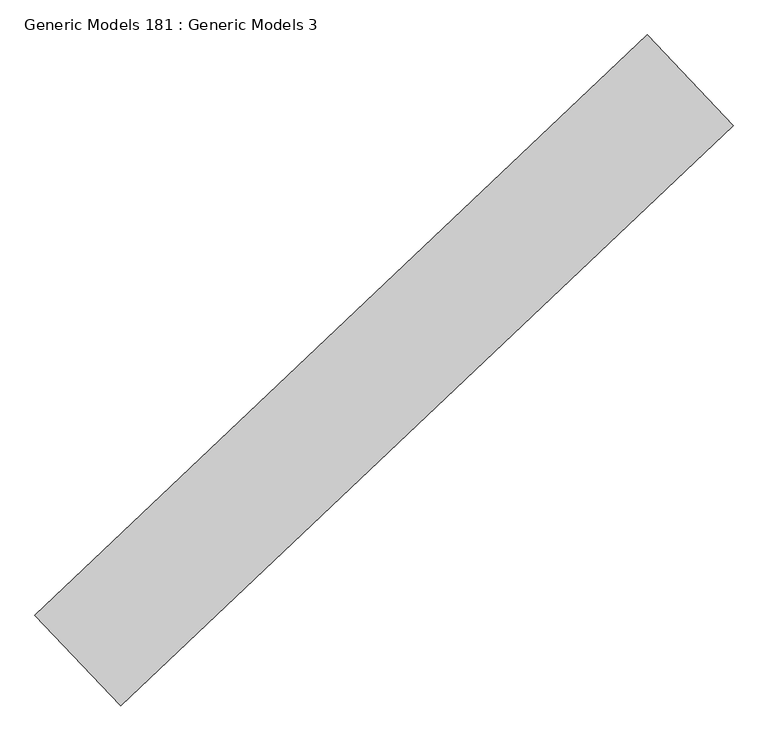
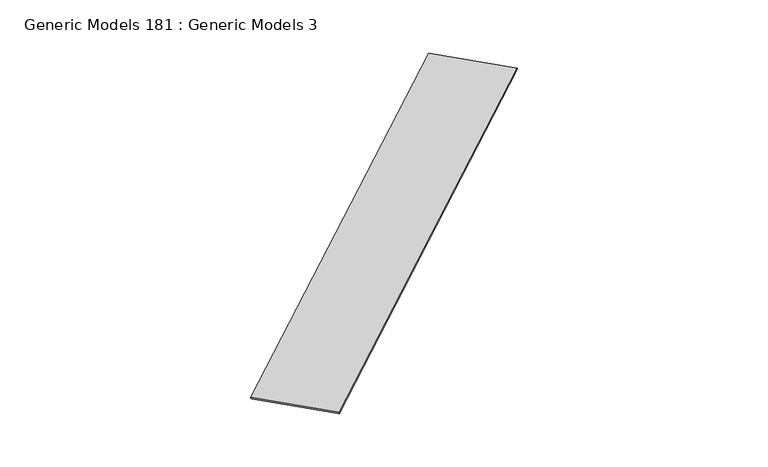
"""IFC4 building model written with IfcOpenShell, lengths in millimetres: proxy geometry, Generic Models 181 : Generic Models 3."""

from ifc_helpers import new_model, si_unit, point, frame, frame_2d, origin, place, context, project, spatial, polyline, circle_curve, trimmed, segment, composite_curve, outline, extrude, source, transform, mapped, element, save


def generic_models_181_generic_models_3_1e5b53d5(model_context):
    return source(origin(), model_context, "Body", "SweptSolid", [
        extrude(outline(composite_curve([segment(trimmed(circle_curve(frame_2d((0.0, -19.0236236)), 19.0236237), [point((-14.1636245, -31.7236236))], [point((-14.1636245, -6.3236236))], False, "CARTESIAN"), True, "CONTINUOUS"), segment(trimmed(circle_curve(frame_2d((0.0, 6.3763763)), 19.0236237), [point((-14.1636245, -6.3236236))], [point((-14.1636245, 19.0763763))], False, "CARTESIAN"), True, "CONTINUOUS"), segment(trimmed(circle_curve(frame_2d((0.0, 31.7763763)), 19.0236237), [point((-14.1636245, 19.0763763))], [point((-18.6694575, 28.122664))], False, "CARTESIAN"), True, "CONTINUOUS"), segment(polyline([(-18.6694575, 28.122664), (19.0763763, 28.122664), (19.0763763, -2571.7236237), (-14.1636245, -2571.7236237)]), True, "CONTINUOUS"), segment(trimmed(circle_curve(frame_2d((0.0, -2559.0236237)), 19.0236237), [point((-14.1636245, -2571.7236237))], [point((-14.1636245, -2546.3236237))], False, "CARTESIAN"), True, "CONTINUOUS"), segment(trimmed(circle_curve(frame_2d((0.0, -2533.6236237)), 19.0236237), [point((-14.1636245, -2546.3236237))], [point((-14.1636245, -2520.9236237))], False, "CARTESIAN"), True, "CONTINUOUS"), segment(trimmed(circle_curve(frame_2d((0.0, -2508.2236237)), 19.0236237), [point((-14.1636245, -2520.9236237))], [point((-14.1636245, -2495.5236236))], False, "CARTESIAN"), True, "CONTINUOUS"), segment(trimmed(circle_curve(frame_2d((0.0, -2482.8236236)), 19.0236237), [point((-14.1636245, -2495.5236236))], [point((-14.1636245, -2470.1236237))], False, "CARTESIAN"), True, "CONTINUOUS"), segment(trimmed(circle_curve(frame_2d((0.0, -2457.4236237)), 19.0236237), [point((-14.1636245, -2470.1236237))], [point((-14.1636245, -2444.7236237))], False, "CARTESIAN"), True, "CONTINUOUS"), segment(trimmed(circle_curve(frame_2d((0.0, -2432.0236237)), 19.0236237), [point((-14.1636245, -2444.7236237))], [point((-14.1636245, -2419.3236237))], False, "CARTESIAN"), True, "CONTINUOUS"), segment(trimmed(circle_curve(frame_2d((0.0, -2406.6236237)), 19.0236237), [point((-14.1636245, -2419.3236237))], [point((-14.1636245, -2393.9236237))], False, "CARTESIAN"), True, "CONTINUOUS"), segment(trimmed(circle_curve(frame_2d((0.0, -2381.2236236)), 19.0236237), [point((-14.1636245, -2393.9236237))], [point((-14.1636245, -2368.5236236))], False, "CARTESIAN"), True, "CONTINUOUS"), segment(trimmed(circle_curve(frame_2d((0.0, -2355.8236237)), 19.0236237), [point((-14.1636245, -2368.5236236))], [point((-14.1636245, -2343.1236237))], False, "CARTESIAN"), True, "CONTINUOUS"), segment(trimmed(circle_curve(frame_2d((0.0, -2330.4236237)), 19.0236237), [point((-14.1636245, -2343.1236237))], [point((-14.1636245, -2317.7236237))], False, "CARTESIAN"), True, "CONTINUOUS"), segment(trimmed(circle_curve(frame_2d((0.0, -2305.0236237)), 19.0236237), [point((-14.1636245, -2317.7236237))], [point((-14.1636245, -2292.3236237))], False, "CARTESIAN"), True, "CONTINUOUS"), segment(trimmed(circle_curve(frame_2d((0.0, -2279.6236236)), 19.0236237), [point((-14.1636245, -2292.3236237))], [point((-14.1636245, -2266.9236236))], False, "CARTESIAN"), True, "CONTINUOUS"), segment(trimmed(circle_curve(frame_2d((0.0, -2254.2236236)), 19.0236237), [point((-14.1636245, -2266.9236236))], [point((-14.1636245, -2241.5236237))], False, "CARTESIAN"), True, "CONTINUOUS"), segment(trimmed(circle_curve(frame_2d((0.0, -2228.8236237)), 19.0236237), [point((-14.1636245, -2241.5236237))], [point((-14.1636245, -2216.1236237))], False, "CARTESIAN"), True, "CONTINUOUS"), segment(trimmed(circle_curve(frame_2d((0.0, -2203.4236237)), 19.0236237), [point((-14.1636245, -2216.1236237))], [point((-14.1636245, -2190.7236237))], False, "CARTESIAN"), True, "CONTINUOUS"), segment(trimmed(circle_curve(frame_2d((0.0, -2178.0236237)), 19.0236237), [point((-14.1636245, -2190.7236237))], [point((-14.1636245, -2165.3236236))], False, "CARTESIAN"), True, "CONTINUOUS"), segment(trimmed(circle_curve(frame_2d((0.0, -2152.6236236)), 19.0236237), [point((-14.1636245, -2165.3236236))], [point((-14.1636245, -2139.9236237))], False, "CARTESIAN"), True, "CONTINUOUS"), segment(trimmed(circle_curve(frame_2d((0.0, -2127.2236237)), 19.0236237), [point((-14.1636245, -2139.9236237))], [point((-14.1636245, -2114.5236237))], False, "CARTESIAN"), True, "CONTINUOUS"), segment(trimmed(circle_curve(frame_2d((0.0, -2101.8236237)), 19.0236237), [point((-14.1636245, -2114.5236237))], [point((-14.1636245, -2089.1236237))], False, "CARTESIAN"), True, "CONTINUOUS"), segment(trimmed(circle_curve(frame_2d((0.0, -2076.4236237)), 19.0236237), [point((-14.1636245, -2089.1236237))], [point((-14.1636245, -2063.7236237))], False, "CARTESIAN"), True, "CONTINUOUS"), segment(trimmed(circle_curve(frame_2d((0.0, -2051.0236236)), 19.0236237), [point((-14.1636245, -2063.7236237))], [point((-14.1636245, -2038.3236236))], False, "CARTESIAN"), True, "CONTINUOUS"), segment(trimmed(circle_curve(frame_2d((0.0, -2025.6236237)), 19.0236237), [point((-14.1636245, -2038.3236236))], [point((-14.1636245, -2012.9236237))], False, "CARTESIAN"), True, "CONTINUOUS"), segment(trimmed(circle_curve(frame_2d((0.0, -2000.2236237)), 19.0236237), [point((-14.1636245, -2012.9236237))], [point((-14.1636245, -1987.5236237))], False, "CARTESIAN"), True, "CONTINUOUS"), segment(trimmed(circle_curve(frame_2d((0.0, -1974.8236237)), 19.0236237), [point((-14.1636245, -1987.5236237))], [point((-14.1636245, -1962.1236237))], False, "CARTESIAN"), True, "CONTINUOUS"), segment(trimmed(circle_curve(frame_2d((0.0, -1949.4236236)), 19.0236237), [point((-14.1636245, -1962.1236237))], [point((-14.1636245, -1936.7236236))], False, "CARTESIAN"), True, "CONTINUOUS"), segment(trimmed(circle_curve(frame_2d((0.0, -1924.0236236)), 19.0236237), [point((-14.1636245, -1936.7236236))], [point((-14.1636245, -1911.3236237))], False, "CARTESIAN"), True, "CONTINUOUS"), segment(trimmed(circle_curve(frame_2d((0.0, -1898.6236237)), 19.0236237), [point((-14.1636245, -1911.3236237))], [point((-14.1636245, -1885.9236237))], False, "CARTESIAN"), True, "CONTINUOUS"), segment(trimmed(circle_curve(frame_2d((0.0, -1873.2236237)), 19.0236237), [point((-14.1636245, -1885.9236237))], [point((-14.1636245, -1860.5236237))], False, "CARTESIAN"), True, "CONTINUOUS"), segment(trimmed(circle_curve(frame_2d((0.0, -1847.8236237)), 19.0236237), [point((-14.1636245, -1860.5236237))], [point((-14.1636245, -1835.1236236))], False, "CARTESIAN"), True, "CONTINUOUS"), segment(trimmed(circle_curve(frame_2d((0.0, -1822.4236236)), 19.0236237), [point((-14.1636245, -1835.1236236))], [point((-14.1636245, -1809.7236237))], False, "CARTESIAN"), True, "CONTINUOUS"), segment(trimmed(circle_curve(frame_2d((0.0, -1797.0236237)), 19.0236237), [point((-14.1636245, -1809.7236237))], [point((-14.1636245, -1784.3236237))], False, "CARTESIAN"), True, "CONTINUOUS"), segment(trimmed(circle_curve(frame_2d((0.0, -1771.6236237)), 19.0236237), [point((-14.1636245, -1784.3236237))], [point((-14.1636245, -1758.9236237))], False, "CARTESIAN"), True, "CONTINUOUS"), segment(trimmed(circle_curve(frame_2d((0.0, -1746.2236237)), 19.0236237), [point((-14.1636245, -1758.9236237))], [point((-14.1636245, -1733.5236237))], False, "CARTESIAN"), True, "CONTINUOUS"), segment(trimmed(circle_curve(frame_2d((0.0, -1720.8236236)), 19.0236237), [point((-14.1636245, -1733.5236237))], [point((-14.1636245, -1708.1236236))], False, "CARTESIAN"), True, "CONTINUOUS"), segment(trimmed(circle_curve(frame_2d((0.0, -1695.4236237)), 19.0236237), [point((-14.1636245, -1708.1236236))], [point((-14.1636245, -1682.7236237))], False, "CARTESIAN"), True, "CONTINUOUS"), segment(trimmed(circle_curve(frame_2d((0.0, -1670.0236237)), 19.0236237), [point((-14.1636245, -1682.7236237))], [point((-14.1636245, -1657.3236237))], False, "CARTESIAN"), True, "CONTINUOUS"), segment(trimmed(circle_curve(frame_2d((0.0, -1644.6236237)), 19.0236237), [point((-14.1636245, -1657.3236237))], [point((-14.1636245, -1631.9236237))], False, "CARTESIAN"), True, "CONTINUOUS"), segment(trimmed(circle_curve(frame_2d((0.0, -1619.2236237)), 19.0236237), [point((-14.1636245, -1631.9236237))], [point((-14.1636245, -1606.5236236))], False, "CARTESIAN"), True, "CONTINUOUS"), segment(trimmed(circle_curve(frame_2d((0.0, -1593.8236237)), 19.0236237), [point((-14.1636245, -1606.5236236))], [point((-14.1636245, -1581.1236237))], False, "CARTESIAN"), True, "CONTINUOUS"), segment(trimmed(circle_curve(frame_2d((0.0, -1568.4236237)), 19.0236237), [point((-14.1636245, -1581.1236237))], [point((-14.1636245, -1555.7236237))], False, "CARTESIAN"), True, "CONTINUOUS"), segment(trimmed(circle_curve(frame_2d((0.0, -1543.0236237)), 19.0236237), [point((-14.1636245, -1555.7236237))], [point((-14.1636245, -1530.3236237))], False, "CARTESIAN"), True, "CONTINUOUS"), segment(trimmed(circle_curve(frame_2d((0.0, -1517.6236237)), 19.0236237), [point((-14.1636245, -1530.3236237))], [point((-14.1636245, -1504.9236237))], False, "CARTESIAN"), True, "CONTINUOUS"), segment(trimmed(circle_curve(frame_2d((0.0, -1492.2236236)), 19.0236237), [point((-14.1636245, -1504.9236237))], [point((-14.1636245, -1479.5236237))], False, "CARTESIAN"), True, "CONTINUOUS"), segment(trimmed(circle_curve(frame_2d((0.0, -1466.8236237)), 19.0236237), [point((-14.1636245, -1479.5236237))], [point((-14.1636245, -1454.1236237))], False, "CARTESIAN"), True, "CONTINUOUS"), segment(trimmed(circle_curve(frame_2d((0.0, -1441.4236237)), 19.0236237), [point((-14.1636245, -1454.1236237))], [point((-14.1636245, -1428.7236237))], False, "CARTESIAN"), True, "CONTINUOUS"), segment(trimmed(circle_curve(frame_2d((0.0, -1416.0236237)), 19.0236237), [point((-14.1636245, -1428.7236237))], [point((-14.1636245, -1403.3236237))], False, "CARTESIAN"), True, "CONTINUOUS"), segment(trimmed(circle_curve(frame_2d((0.0, -1390.6236237)), 19.0236237), [point((-14.1636245, -1403.3236237))], [point((-14.1636245, -1377.9236236))], False, "CARTESIAN"), True, "CONTINUOUS"), segment(trimmed(circle_curve(frame_2d((0.0, -1365.2236237)), 19.0236237), [point((-14.1636245, -1377.9236236))], [point((-14.1636245, -1352.5236237))], False, "CARTESIAN"), True, "CONTINUOUS"), segment(trimmed(circle_curve(frame_2d((0.0, -1339.8236237)), 19.0236237), [point((-14.1636245, -1352.5236237))], [point((-14.1636245, -1327.1236237))], False, "CARTESIAN"), True, "CONTINUOUS"), segment(trimmed(circle_curve(frame_2d((0.0, -1314.4236237)), 19.0236237), [point((-14.1636245, -1327.1236237))], [point((-14.1636245, -1301.7236237))], False, "CARTESIAN"), True, "CONTINUOUS"), segment(trimmed(circle_curve(frame_2d((0.0, -1289.0236237)), 19.0236237), [point((-14.1636245, -1301.7236237))], [point((-14.1636245, -1276.3236236))], False, "CARTESIAN"), True, "CONTINUOUS"), segment(trimmed(circle_curve(frame_2d((0.0, -1263.6236237)), 19.0236237), [point((-14.1636245, -1276.3236236))], [point((-14.1636245, -1250.9236237))], False, "CARTESIAN"), True, "CONTINUOUS"), segment(trimmed(circle_curve(frame_2d((0.0, -1238.2236237)), 19.0236237), [point((-14.1636245, -1250.9236237))], [point((-14.1636245, -1225.5236237))], False, "CARTESIAN"), True, "CONTINUOUS"), segment(trimmed(circle_curve(frame_2d((0.0, -1212.8236236)), 19.0236237), [point((-14.1636245, -1225.5236237))], [point((-14.1636245, -1200.1236237))], False, "CARTESIAN"), True, "CONTINUOUS"), segment(trimmed(circle_curve(frame_2d((0.0, -1187.4236237)), 19.0236237), [point((-14.1636245, -1200.1236237))], [point((-14.1636245, -1174.7236237))], False, "CARTESIAN"), True, "CONTINUOUS"), segment(trimmed(circle_curve(frame_2d((0.0, -1162.0236236)), 19.0236237), [point((-14.1636245, -1174.7236237))], [point((-14.1636245, -1149.3236237))], False, "CARTESIAN"), True, "CONTINUOUS"), segment(trimmed(circle_curve(frame_2d((0.0, -1136.6236237)), 19.0236237), [point((-14.1636245, -1149.3236237))], [point((-14.1636245, -1123.9236237))], False, "CARTESIAN"), True, "CONTINUOUS"), segment(trimmed(circle_curve(frame_2d((0.0, -1111.2236237)), 19.0236237), [point((-14.1636245, -1123.9236237))], [point((-14.1636245, -1098.5236237))], False, "CARTESIAN"), True, "CONTINUOUS"), segment(trimmed(circle_curve(frame_2d((0.0, -1085.8236237)), 19.0236237), [point((-14.1636245, -1098.5236237))], [point((-14.1636245, -1073.1236237))], False, "CARTESIAN"), True, "CONTINUOUS"), segment(trimmed(circle_curve(frame_2d((0.0, -1060.4236237)), 19.0236237), [point((-14.1636245, -1073.1236237))], [point((-14.1636245, -1047.7236236))], False, "CARTESIAN"), True, "CONTINUOUS"), segment(trimmed(circle_curve(frame_2d((0.0, -1035.0236237)), 19.0236237), [point((-14.1636245, -1047.7236236))], [point((-14.1636245, -1022.3236237))], False, "CARTESIAN"), True, "CONTINUOUS"), segment(trimmed(circle_curve(frame_2d((0.0, -1009.6236237)), 19.0236237), [point((-14.1636245, -1022.3236237))], [point((-14.1636245, -996.9236236))], False, "CARTESIAN"), True, "CONTINUOUS"), segment(trimmed(circle_curve(frame_2d((0.0, -984.2236237)), 19.0236237), [point((-14.1636245, -996.9236236))], [point((-14.1636245, -971.5236237))], False, "CARTESIAN"), True, "CONTINUOUS"), segment(trimmed(circle_curve(frame_2d((0.0, -958.8236237)), 19.0236237), [point((-14.1636245, -971.5236237))], [point((-14.1636245, -946.1236237))], False, "CARTESIAN"), True, "CONTINUOUS"), segment(trimmed(circle_curve(frame_2d((0.0, -933.4236237)), 19.0236237), [point((-14.1636245, -946.1236237))], [point((-14.1636245, -920.7236237))], False, "CARTESIAN"), True, "CONTINUOUS"), segment(trimmed(circle_curve(frame_2d((0.0, -908.0236237)), 19.0236237), [point((-14.1636245, -920.7236237))], [point((-14.1636245, -895.3236237))], False, "CARTESIAN"), True, "CONTINUOUS"), segment(trimmed(circle_curve(frame_2d((0.0, -882.6236236)), 19.0236237), [point((-14.1636245, -895.3236237))], [point((-14.1636245, -869.9236237))], False, "CARTESIAN"), True, "CONTINUOUS"), segment(trimmed(circle_curve(frame_2d((0.0, -857.2236237)), 19.0236237), [point((-14.1636245, -869.9236237))], [point((-14.1636245, -844.5236237))], False, "CARTESIAN"), True, "CONTINUOUS"), segment(trimmed(circle_curve(frame_2d((0.0, -831.8236237)), 19.0236237), [point((-14.1636245, -844.5236237))], [point((-14.1636245, -819.1236237))], False, "CARTESIAN"), True, "CONTINUOUS"), segment(trimmed(circle_curve(frame_2d((0.0, -806.4236237)), 19.0236237), [point((-14.1636245, -819.1236237))], [point((-14.1636245, -793.7236237))], False, "CARTESIAN"), True, "CONTINUOUS"), segment(trimmed(circle_curve(frame_2d((0.0, -781.0236236)), 19.0236237), [point((-14.1636245, -793.7236237))], [point((-14.1636245, -768.3236237))], False, "CARTESIAN"), True, "CONTINUOUS"), segment(trimmed(circle_curve(frame_2d((0.0, -755.6236237)), 19.0236237), [point((-14.1636245, -768.3236237))], [point((-14.1636245, -742.9236237))], False, "CARTESIAN"), True, "CONTINUOUS"), segment(trimmed(circle_curve(frame_2d((0.0, -730.2236237)), 19.0236237), [point((-14.1636245, -742.9236237))], [point((-14.1636245, -717.5236237))], False, "CARTESIAN"), True, "CONTINUOUS"), segment(trimmed(circle_curve(frame_2d((0.0, -704.8236237)), 19.0236237), [point((-14.1636245, -717.5236237))], [point((-14.1636245, -692.1236237))], False, "CARTESIAN"), True, "CONTINUOUS"), segment(trimmed(circle_curve(frame_2d((0.0, -679.4236237)), 19.0236237), [point((-14.1636245, -692.1236237))], [point((-14.1636245, -666.7236236))], False, "CARTESIAN"), True, "CONTINUOUS"), segment(trimmed(circle_curve(frame_2d((0.0, -654.0236237)), 19.0236237), [point((-14.1636245, -666.7236236))], [point((-14.1636245, -641.3236237))], False, "CARTESIAN"), True, "CONTINUOUS"), segment(trimmed(circle_curve(frame_2d((0.0, -628.6236237)), 19.0236237), [point((-14.1636245, -641.3236237))], [point((-14.1636245, -615.9236237))], False, "CARTESIAN"), True, "CONTINUOUS"), segment(trimmed(circle_curve(frame_2d((0.0, -603.2236237)), 19.0236237), [point((-14.1636245, -615.9236237))], [point((-14.1636245, -590.5236237))], False, "CARTESIAN"), True, "CONTINUOUS"), segment(trimmed(circle_curve(frame_2d((0.0, -577.8236237)), 19.0236237), [point((-14.1636245, -590.5236237))], [point((-14.1636245, -565.1236236))], False, "CARTESIAN"), True, "CONTINUOUS"), segment(trimmed(circle_curve(frame_2d((0.0, -552.4236236)), 19.0236237), [point((-14.1636245, -565.1236236))], [point((-14.1636245, -539.7236237))], False, "CARTESIAN"), True, "CONTINUOUS"), segment(trimmed(circle_curve(frame_2d((0.0, -527.0236237)), 19.0236237), [point((-14.1636245, -539.7236237))], [point((-14.1636245, -514.3236237))], False, "CARTESIAN"), True, "CONTINUOUS"), segment(trimmed(circle_curve(frame_2d((0.0, -501.6236237)), 19.0236237), [point((-14.1636245, -514.3236237))], [point((-14.1636245, -488.9236237))], False, "CARTESIAN"), True, "CONTINUOUS"), segment(trimmed(circle_curve(frame_2d((0.0, -476.2236237)), 19.0236237), [point((-14.1636245, -488.9236237))], [point((-14.1636245, -463.5236236))], False, "CARTESIAN"), True, "CONTINUOUS"), segment(trimmed(circle_curve(frame_2d((0.0, -450.8236236)), 19.0236237), [point((-14.1636245, -463.5236236))], [point((-14.1636245, -438.1236237))], False, "CARTESIAN"), True, "CONTINUOUS"), segment(trimmed(circle_curve(frame_2d((0.0, -425.4236237)), 19.0236237), [point((-14.1636245, -438.1236237))], [point((-14.1636245, -412.7236237))], False, "CARTESIAN"), True, "CONTINUOUS"), segment(trimmed(circle_curve(frame_2d((0.0, -400.0236237)), 19.0236237), [point((-14.1636245, -412.7236237))], [point((-14.1636245, -387.3236237))], False, "CARTESIAN"), True, "CONTINUOUS"), segment(trimmed(circle_curve(frame_2d((0.0, -374.6236237)), 19.0236237), [point((-14.1636245, -387.3236237))], [point((-14.1636245, -361.9236237))], False, "CARTESIAN"), True, "CONTINUOUS"), segment(trimmed(circle_curve(frame_2d((0.0, -349.2236236)), 19.0236237), [point((-14.1636245, -361.9236237))], [point((-14.1636245, -336.5236236))], False, "CARTESIAN"), True, "CONTINUOUS"), segment(trimmed(circle_curve(frame_2d((0.0, -323.8236237)), 19.0236237), [point((-14.1636245, -336.5236236))], [point((-14.1636245, -311.1236237))], False, "CARTESIAN"), True, "CONTINUOUS"), segment(trimmed(circle_curve(frame_2d((0.0, -298.4236237)), 19.0236237), [point((-14.1636245, -311.1236237))], [point((-14.1636245, -285.7236237))], False, "CARTESIAN"), True, "CONTINUOUS"), segment(trimmed(circle_curve(frame_2d((0.0, -273.0236237)), 19.0236237), [point((-14.1636245, -285.7236237))], [point((-14.1636245, -260.3236237))], False, "CARTESIAN"), True, "CONTINUOUS"), segment(trimmed(circle_curve(frame_2d((0.0, -247.6236236)), 19.0236237), [point((-14.1636245, -260.3236237))], [point((-14.1636245, -234.9236236))], False, "CARTESIAN"), True, "CONTINUOUS"), segment(trimmed(circle_curve(frame_2d((0.0, -222.2236237)), 19.0236237), [point((-14.1636245, -234.9236236))], [point((-14.1636245, -209.5236237))], False, "CARTESIAN"), True, "CONTINUOUS"), segment(trimmed(circle_curve(frame_2d((0.0, -196.8236237)), 19.0236237), [point((-14.1636245, -209.5236237))], [point((-14.1636245, -184.1236237))], False, "CARTESIAN"), True, "CONTINUOUS"), segment(trimmed(circle_curve(frame_2d((0.0, -171.4236237)), 19.0236237), [point((-14.1636245, -184.1236237))], [point((-14.1636245, -158.7236237))], False, "CARTESIAN"), True, "CONTINUOUS"), segment(trimmed(circle_curve(frame_2d((0.0, -146.0236237)), 19.0236237), [point((-14.1636245, -158.7236237))], [point((-14.1636245, -133.3236236))], False, "CARTESIAN"), True, "CONTINUOUS"), segment(trimmed(circle_curve(frame_2d((0.0, -120.6236236)), 19.0236237), [point((-14.1636245, -133.3236236))], [point((-14.1636245, -107.9236237))], False, "CARTESIAN"), True, "CONTINUOUS"), segment(trimmed(circle_curve(frame_2d((0.0, -95.2236237)), 19.0236237), [point((-14.1636245, -107.9236237))], [point((-14.1636245, -82.5236237))], False, "CARTESIAN"), True, "CONTINUOUS"), segment(trimmed(circle_curve(frame_2d((0.0, -69.8236237)), 19.0236237), [point((-14.1636245, -82.5236237))], [point((-14.1636245, -57.1236237))], False, "CARTESIAN"), True, "CONTINUOUS"), segment(trimmed(circle_curve(frame_2d((0.0, -44.4236237)), 19.0236237), [point((-14.1636245, -57.1236237))], [point((-14.1636245, -31.7236236))], False, "CARTESIAN"), True, "CONTINUOUS")], self_intersect=False)), frame((95493.5611618, 49118.6791621, 17075.1236237), z_axis=(0.7253743710122866, 0.6883545756937551, 0.0), x_axis=(0.0, 0.0, 1.0)), (0.0, 0.0, 1.0), 17560.925),
    ])


if __name__ == "__main__":
    model = new_model("IFC4")
    model_context = context("Model", 3, world=origin())
    ifc_project = project(units=[si_unit("LENGTHUNIT", "METRE", prefix="MILLI")], contexts=[model_context])
    site = spatial("IfcSite", under=ifc_project)
    building = spatial("IfcBuilding", under=site)
    placement = place(None, origin())
    generic_models_181_generic_models_3_shape = generic_models_181_generic_models_3_1e5b53d5(model_context)
    element("IfcBuildingElementProxy", 1, Name="Generic Models 181 : Generic Models 3", ObjectType="Generic Models 181 : Generic Models 3", at=placement, inside=building, context=model_context, shape_type="MappedRepresentation", body=[
        mapped(generic_models_181_generic_models_3_shape, transform((0.0, 0.0, 0.0), x_axis=(1.0, 0.0, 0.0), y_axis=(0.0, 1.0, 0.0), z_axis=(0.0, 0.0, 1.0))),
    ])
    save(model, "model.ifc")
